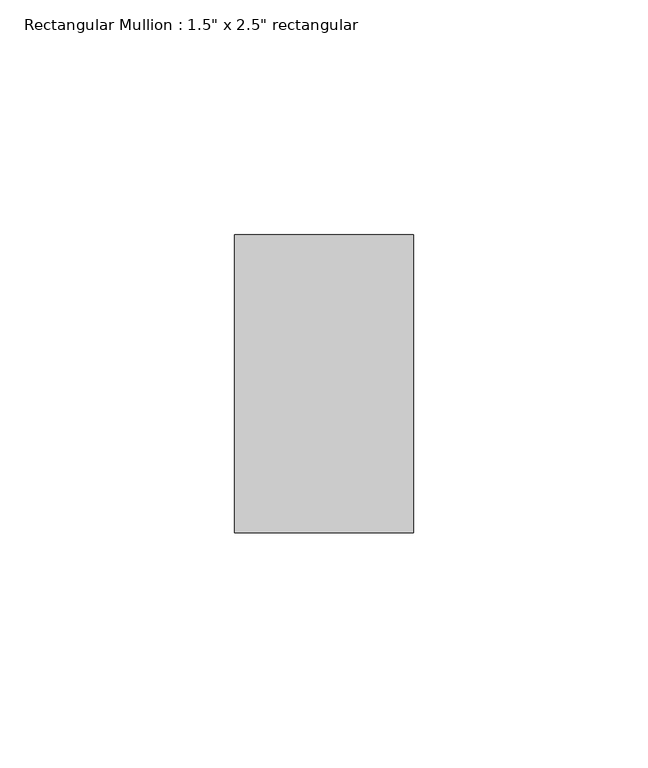
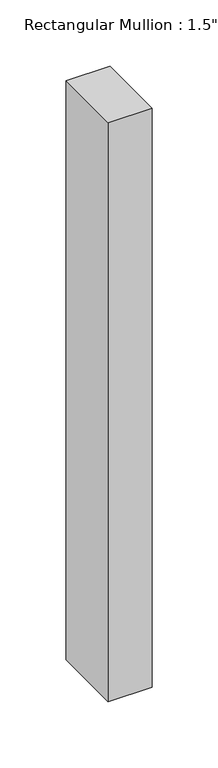
"""IFC4 building model written with IfcOpenShell, lengths in millimetres: member geometry."""

from ifc_helpers import new_model, si_unit, frame, origin, place, context, project, spatial, polyline, outline, extrude, source, transform, mapped, element, save


def member_1daa71ea(model_context):
    return source(origin(), model_context, "Body", "SweptSolid", [
        extrude(outline(polyline([(19.05, -19.05), (19.05, -82.55), (-19.05, -82.55), (-19.05, -19.05), (19.05, -19.05)])), frame((0.0, 0.0, -533.4), z_axis=(0.0, 0.0, 1.0), x_axis=(1.0, 0.0, 0.0)), (0.0, 0.0, 1.0), 533.4),
    ])


if __name__ == "__main__":
    model = new_model("IFC4")
    model_context = context("Model", 3, world=origin())
    ifc_project = project(units=[si_unit("LENGTHUNIT", "METRE", prefix="MILLI")], contexts=[model_context])
    site = spatial("IfcSite", under=ifc_project)
    building = spatial("IfcBuilding", under=site)
    placement = place(None, origin())
    member_shape = member_1daa71ea(model_context)
    element("IfcMember", 1, ObjectType="Rectangular Mullion : 1.5\" x 2.5\" rectangular", at=placement, inside=building, context=model_context, shape_type="MappedRepresentation", body=[
        mapped(member_shape, transform((0.0, 0.0, 0.0), x_axis=(1.0, 0.0, 0.0), y_axis=(0.0, 1.0, 0.0), z_axis=(0.0, 0.0, 1.0))),
    ])
    save(model, "model.ifc")
